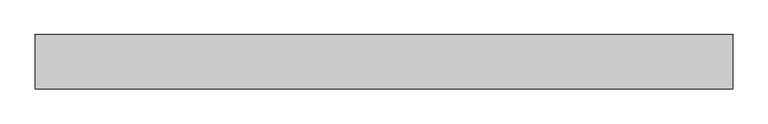
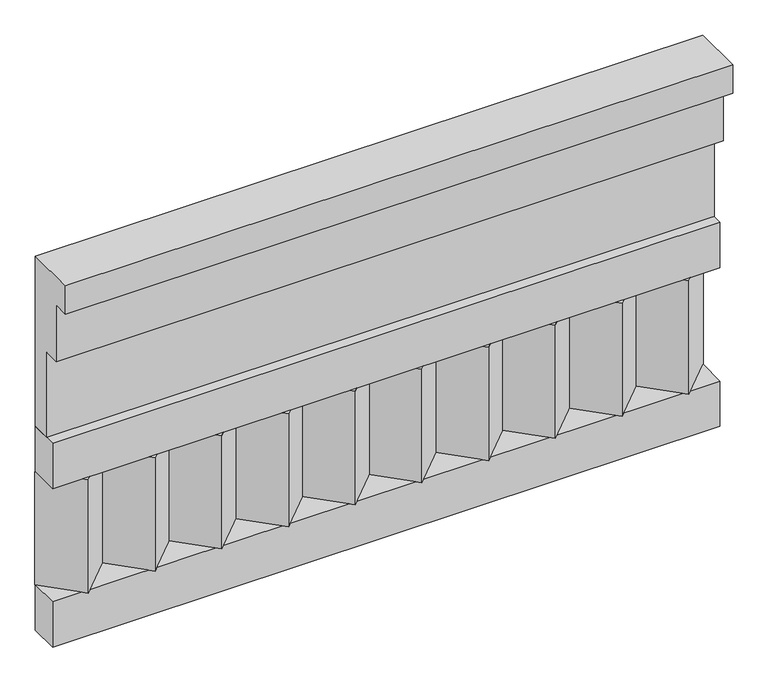
"""IFC4 building model written with IfcOpenShell, lengths in millimetres: railing geometry."""

from ifc_helpers import new_model, si_unit, frame, origin, place, context, project, spatial, polyline, outline, extrude, source, transform, mapped, element, save


def railing_02481bd9(model_context):
    return source(origin(), model_context, "Body", "SweptSolid", [
        extrude(outline(polyline([(-16816.8920513, 15205.0), (-16816.8920513, 14755.0), (-16866.8920513, 14755.0), (-16866.8920513, 14980.0), (-16906.8920513, 14980.0), (-16906.8920513, 15130.0), (-16946.8920513, 15130.0), (-16946.8920513, 15205.0), (-16816.8920513, 15205.0)])), frame((22660.0112841, 0.0, 0.0), z_axis=(1.0, 0.0, 0.0), x_axis=(0.0, 1.0, 0.0)), (0.0, 0.0, 1.0), 1670.0),
        extrude(outline(polyline([(22660.0112841, -16891.8920513), (22660.0112841, -16816.8920513), (24330.0112841, -16816.8920513), (24330.0112841, -16891.8920513), (22660.0112841, -16891.8920513)])), frame((0.0, 0.0, 14635.0), z_axis=(0.0, 0.0, 1.0), x_axis=(1.0, 0.0, 0.0)), (0.0, 0.0, 1.0), 120.0),
        extrude(outline(polyline([(22660.0112841, -16891.8920513), (22660.0112841, -16816.8920513), (24330.0112841, -16816.8920513), (24330.0112841, -16891.8920513), (22660.0112841, -16891.8920513)])), frame((0.0, 0.0, 14215.0), z_axis=(0.0, 0.0, 1.0), x_axis=(1.0, 0.0, 0.0)), (0.0, 0.0, 1.0), 120.0),
        extrude(outline(polyline([(24246.5112841, -16901.7448651), (24161.6584704, -16816.8920513), (24331.3640978, -16816.8920513), (24246.5112841, -16901.7448651)])), frame((0.0, 0.0, 14335.0), z_axis=(0.0, 0.0, 1.0), x_axis=(1.0, 0.0, 0.0)), (0.0, 0.0, 1.0), 300.0),
        extrude(outline(polyline([(24079.5112841, -16901.7448651), (23994.6584704, -16816.8920513), (24164.3640978, -16816.8920513), (24079.5112841, -16901.7448651)])), frame((0.0, 0.0, 14335.0), z_axis=(0.0, 0.0, 1.0), x_axis=(1.0, 0.0, 0.0)), (0.0, 0.0, 1.0), 300.0),
        extrude(outline(polyline([(23912.5112841, -16901.7448651), (23827.6584704, -16816.8920513), (23997.3640978, -16816.8920513), (23912.5112841, -16901.7448651)])), frame((0.0, 0.0, 14335.0), z_axis=(0.0, 0.0, 1.0), x_axis=(1.0, 0.0, 0.0)), (0.0, 0.0, 1.0), 300.0),
        extrude(outline(polyline([(23745.5112841, -16901.7448651), (23660.6584704, -16816.8920513), (23830.3640978, -16816.8920513), (23745.5112841, -16901.7448651)])), frame((0.0, 0.0, 14335.0), z_axis=(0.0, 0.0, 1.0), x_axis=(1.0, 0.0, 0.0)), (0.0, 0.0, 1.0), 300.0),
        extrude(outline(polyline([(23578.5112841, -16901.7448651), (23493.6584704, -16816.8920513), (23663.3640978, -16816.8920513), (23578.5112841, -16901.7448651)])), frame((0.0, 0.0, 14335.0), z_axis=(0.0, 0.0, 1.0), x_axis=(1.0, 0.0, 0.0)), (0.0, 0.0, 1.0), 300.0),
        extrude(outline(polyline([(23411.5112841, -16901.7448651), (23326.6584704, -16816.8920513), (23496.3640978, -16816.8920513), (23411.5112841, -16901.7448651)])), frame((0.0, 0.0, 14335.0), z_axis=(0.0, 0.0, 1.0), x_axis=(1.0, 0.0, 0.0)), (0.0, 0.0, 1.0), 300.0),
        extrude(outline(polyline([(23244.5112841, -16901.7448651), (23159.6584704, -16816.8920513), (23329.3640978, -16816.8920513), (23244.5112841, -16901.7448651)])), frame((0.0, 0.0, 14335.0), z_axis=(0.0, 0.0, 1.0), x_axis=(1.0, 0.0, 0.0)), (0.0, 0.0, 1.0), 300.0),
        extrude(outline(polyline([(23077.5112841, -16901.7448651), (22992.6584704, -16816.8920513), (23162.3640978, -16816.8920513), (23077.5112841, -16901.7448651)])), frame((0.0, 0.0, 14335.0), z_axis=(0.0, 0.0, 1.0), x_axis=(1.0, 0.0, 0.0)), (0.0, 0.0, 1.0), 300.0),
        extrude(outline(polyline([(22910.5112841, -16901.7448651), (22825.6584704, -16816.8920513), (22995.3640978, -16816.8920513), (22910.5112841, -16901.7448651)])), frame((0.0, 0.0, 14335.0), z_axis=(0.0, 0.0, 1.0), x_axis=(1.0, 0.0, 0.0)), (0.0, 0.0, 1.0), 300.0),
        extrude(outline(polyline([(22743.5112841, -16901.7448651), (22658.6584704, -16816.8920513), (22828.3640978, -16816.8920513), (22743.5112841, -16901.7448651)])), frame((0.0, 0.0, 14335.0), z_axis=(0.0, 0.0, 1.0), x_axis=(1.0, 0.0, 0.0)), (0.0, 0.0, 1.0), 300.0),
    ])


if __name__ == "__main__":
    model = new_model("IFC4")
    model_context = context("Model", 3, world=origin())
    ifc_project = project(units=[si_unit("LENGTHUNIT", "METRE", prefix="MILLI")], contexts=[model_context])
    site = spatial("IfcSite", under=ifc_project)
    building = spatial("IfcBuilding", under=site)
    placement = place(None, origin())
    railing_shape = railing_02481bd9(model_context)
    element("IfcRailing", 1, at=placement, inside=building, context=model_context, shape_type="MappedRepresentation", body=[
        mapped(railing_shape, transform((0.0, 0.0, 0.0), x_axis=(1.0, 0.0, 0.0), y_axis=(0.0, 1.0, 0.0), z_axis=(0.0, 0.0, 1.0))),
    ])
    save(model, "model.ifc")
